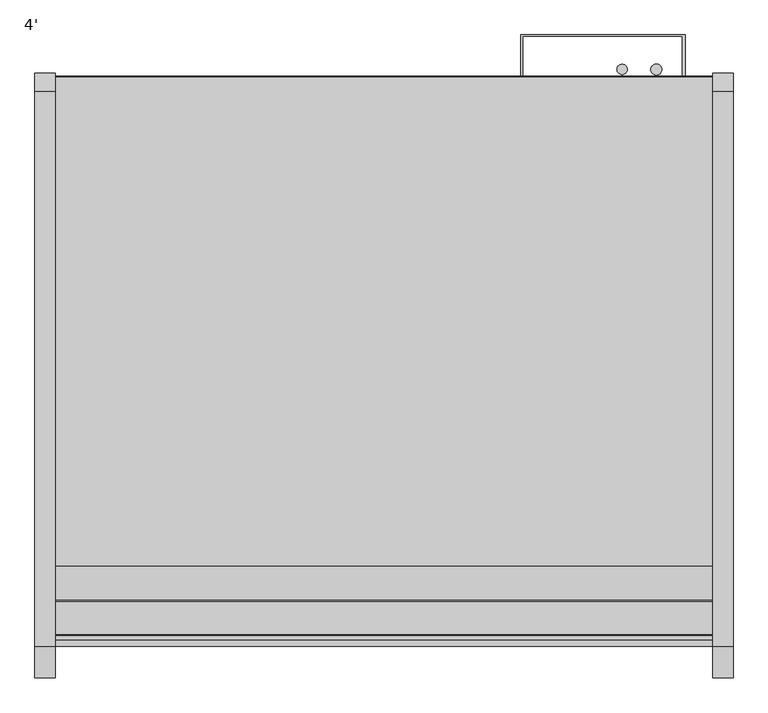
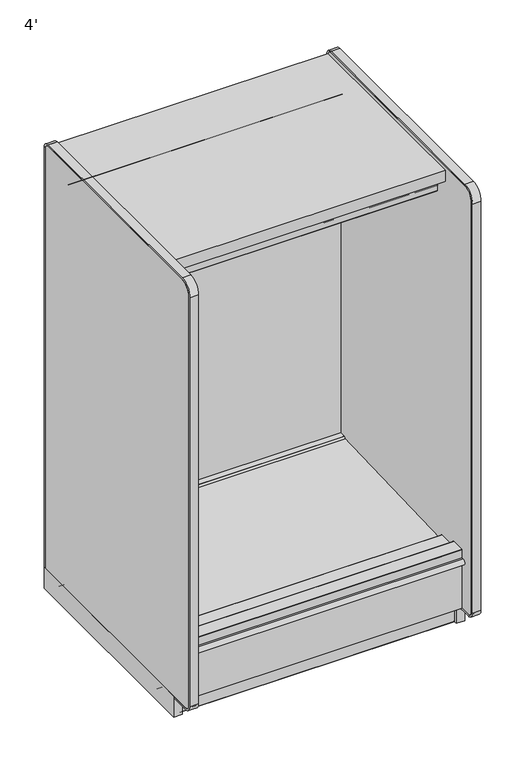
"""IFC4 building model written with IfcOpenShell, lengths in millimetres: proxy geometry, 4'."""

from ifc_helpers import new_model, si_unit, point, frame, frame_2d, origin, origin_with_axes, place, context, project, spatial, polyline, circle_curve, trimmed, segment, composite_curve, outline, extrude, source, transform, mapped, element, save
from ifc_brep_helpers import plane_surface, cylinder_surface, revolved_surface, advanced_brep


def proxy_4_5382d1ed(model_context):
    return source(origin(), model_context, "Body", "SolidModel", [
        advanced_brep(
        [(1219.2, -1254.2383502, 105.16235), (1219.2, -1254.2383502, 5.1562), (1219.2, -1251.8507502, 2.7686), (1219.2, -1219.3133502, 2.7686), (1219.2, -1219.3133502, 70.23735), (1219.2, -489.0633502, 70.23735), (1219.2, -489.0633502, 2.7686), (1219.2, -456.5259502, 2.7686), (1219.2, -454.1383502, 5.1562), (1219.2, -454.1383502, 105.16235), (0.0, -1254.2383502, 105.16235), (0.0, -454.1383502, 105.16235), (0.0, -454.1383502, 5.1562), (0.0, -456.5259502, 2.7686), (0.0, -489.0633502, 2.7686), (0.0, -489.0633502, 70.23735), (0.0, -1219.3133502, 70.23735), (0.0, -1219.3133502, 2.7686), (0.0, -1251.8507502, 2.7686), (0.0, -1254.2383502, 5.1562), (579.9855715, -1219.3133502, 70.23735), (639.2144285, -1219.3133502, 70.23735), (996.95, -1219.3133502, 70.23735), (1047.75, -1168.5133502, 70.23735), (946.15, -1168.5133502, 70.23735), (660.4, -1178.0383502, 70.23735), (558.8, -1178.0383502, 70.23735), (1047.75, -1168.5133502, 105.16235), (946.15, -1168.5133502, 105.16235), (660.4, -1178.0383502, 105.16235), (558.8, -1178.0383502, 105.16235)],
        [
            (0, 1),
            (1, 2, circle_curve(frame((1219.2, -1251.8507502, 5.1562), z_axis=(1.0, 0.0, 0.0), x_axis=(0.0, 1.0, 0.0)), 2.3876)),
            (2, 3),
            (3, 4),
            (4, 5),
            (5, 6),
            (6, 7),
            (7, 8, circle_curve(frame((1219.2, -456.5259502, 5.1562), z_axis=(1.0, 0.0, 0.0), x_axis=(0.0, 1.0, 0.0)), 2.3876)),
            (8, 9),
            (9, 0),
            (10, 11),
            (11, 12),
            (12, 13, circle_curve(frame((0.0, -456.5259502, 5.1562), z_axis=(-1.0, 0.0, 0.0), x_axis=(0.0, 1.0, 0.0)), 2.3876)),
            (13, 14),
            (14, 15),
            (15, 16),
            (16, 17),
            (17, 18),
            (18, 19, circle_curve(frame((0.0, -1251.8507502, 5.1562), z_axis=(-1.0, 0.0, 0.0), x_axis=(0.0, 1.0, 0.0)), 2.3876)),
            (19, 10),
            (0, 10),
            (19, 1),
            (18, 2),
            (17, 3),
            (16, 20),
            (20, 21),
            (21, 22),
            (22, 4),
            (22, 23, circle_curve(frame((996.95, -1168.5133502, 70.23735), z_axis=(0.0, 0.0, 1.0), x_axis=(1.0, 0.0, 0.0)), 50.8)),
            (23, 24, circle_curve(frame((996.95, -1168.5133502, 70.23735), z_axis=(0.0, 0.0, 1.0), x_axis=(1.0, 0.0, 0.0)), 50.8)),
            (24, 22, circle_curve(frame((996.95, -1168.5133502, 70.23735), z_axis=(0.0, 0.0, 1.0), x_axis=(1.0, 0.0, 0.0)), 50.8)),
            (21, 25, circle_curve(frame((609.6, -1178.0383502, 70.23735), z_axis=(0.0, 0.0, 1.0), x_axis=(1.0, 0.0, 0.0)), 50.8)),
            (25, 26, circle_curve(frame((609.6, -1178.0383502, 70.23735), z_axis=(0.0, 0.0, 1.0), x_axis=(1.0, 0.0, 0.0)), 50.8)),
            (26, 20, circle_curve(frame((609.6, -1178.0383502, 70.23735), z_axis=(0.0, 0.0, 1.0), x_axis=(1.0, 0.0, 0.0)), 50.8)),
            (15, 5),
            (14, 6),
            (13, 7),
            (12, 8),
            (11, 9),
            (27, 28, circle_curve(frame((996.95, -1168.5133502, 105.16235), z_axis=(0.0, 0.0, -1.0), x_axis=(1.0, 0.0, 0.0)), 50.8)),
            (28, 27, circle_curve(frame((996.95, -1168.5133502, 105.16235), z_axis=(0.0, 0.0, -1.0), x_axis=(1.0, 0.0, 0.0)), 50.8)),
            (29, 30, circle_curve(frame((609.6, -1178.0383502, 105.16235), z_axis=(0.0, 0.0, -1.0), x_axis=(1.0, 0.0, 0.0)), 50.8)),
            (30, 29, circle_curve(frame((609.6, -1178.0383502, 105.16235), z_axis=(0.0, 0.0, -1.0), x_axis=(1.0, 0.0, 0.0)), 50.8)),
            (24, 28),
            (27, 23),
            (20, 21, circle_curve(frame((609.6, -1178.0383502, 70.23735), z_axis=(0.0, 0.0, 1.0), x_axis=(1.0, 0.0, 0.0)), 50.8)),
            (26, 30),
            (29, 25),
        ],
        [
            plane_surface(frame((1219.2, -1254.2383502, 105.16235), z_axis=(1.0, 0.0, 0.0), x_axis=(0.0, 0.0, -1.0))),
            plane_surface(frame((0.0, -1254.2383502, 105.16235), z_axis=(-1.0, 0.0, 0.0), x_axis=(0.0, 0.0, 1.0))),
            plane_surface(frame((1219.2, -1254.2383502, 105.16235), z_axis=(0.0, -1.0, 0.0), x_axis=(-1.0, 0.0, 0.0))),
            cylinder_surface(frame((0.0, -1251.8507502, 5.1562), z_axis=(1.0, 0.0, 0.0), x_axis=(0.0, 1.0, 0.0)), 2.3876),
            plane_surface(frame((1219.2, -1251.8507502, 2.7686), z_axis=(0.0, 0.0, -1.0), x_axis=(-1.0, 0.0, 0.0))),
            plane_surface(frame((1219.2, -1219.3133502, 2.7686), z_axis=(0.0, 1.0, 0.0), x_axis=(-1.0, 0.0, 0.0))),
            plane_surface(frame((1219.2, -1219.3133502, 70.23735), z_axis=(0.0, 0.0, -1.0), x_axis=(-1.0, 0.0, 0.0))),
            plane_surface(frame((1219.2, -489.0633502, 70.23735), z_axis=(0.0, -1.0, 0.0), x_axis=(-1.0, 0.0, 0.0))),
            plane_surface(frame((1219.2, -489.0633502, 2.7686), z_axis=(0.0, 0.0, -1.0), x_axis=(-1.0, 0.0, 0.0))),
            cylinder_surface(frame((0.0, -456.5259502, 5.1562), z_axis=(1.0, 0.0, 0.0), x_axis=(0.0, 1.0, 0.0)), 2.3876),
            plane_surface(frame((1219.2, -454.1383502, 5.1562), z_axis=(0.0, 1.0, 0.0), x_axis=(-1.0, 0.0, 0.0))),
            plane_surface(frame((1219.2, -454.1383502, 105.16235), z_axis=(0.0, 0.0, 1.0), x_axis=(-1.0, 0.0, 0.0))),
            revolved_surface(polyline([(1047.75, -1168.5133502, 105.16235), (1047.75, -1168.5133502, 70.23735)]), (996.95, -1168.5133502, 70.23735), (0.0, 0.0, 1.0)),
            plane_surface(frame((660.4, -1178.0383502, 70.23735), z_axis=(0.0, 0.0, 1.0), x_axis=(0.0, -1.0, 0.0))),
            revolved_surface(polyline([(660.4, -1178.0383502, 105.16235), (660.4, -1178.0383502, 70.23735)]), (609.6, -1178.0383502, 70.23735), (0.0, 0.0, 1.0)),
        ],
        [
            (0, [[1, 2, 3, 4, 5, 6, 7, 8, 9, 10]]),
            (1, [[11, 12, 13, 14, 15, 16, 17, 18, 19, 20]]),
            (2, [[-1, 21, -20, 22]]),
            (3, [[-2, -22, -19, 23]]),
            (4, [[-3, -23, -18, 24]]),
            (5, [[-4, -24, -17, 25, 26, 27, 28]]),
            (6, [[-5, -28, 29, 30, 31, -27, 32, 33, 34, -25, -16, 35]]),
            (7, [[-6, -35, -15, 36]]),
            (8, [[-7, -36, -14, 37]]),
            (9, [[-8, -37, -13, 38]]),
            (10, [[-9, -38, -12, 39]]),
            (11, [[-10, -39, -11, -21], [40, 41], [42, 43]]),
            (12, [[44, -40, 45, -29, -31]]),
            (12, [[-44, -30, -45, -41]]),
            (13, [[46, -26]]),
            (14, [[-46, -34, 47, -42, 48, -32]]),
            (14, [[-47, -33, -48, -43]]),
        ],
    ),
        extrude(outline(composite_curve([segment(polyline([(-451.3697502, 24.892), (-451.3697502, 5.1562)]), True, "CONTINUOUS"), segment(trimmed(circle_curve(frame_2d((-456.5259502, 5.1562)), 5.1562), [point((-451.3697502, 5.1562))], [point((-456.5259502, 0.0))], False, "CARTESIAN"), True, "CONTINUOUS"), segment(polyline([(-456.5259502, 0.0), (-491.4382502, 0.0)]), True, "CONTINUOUS"), segment(trimmed(circle_curve(frame_2d((-491.4382502, 5.1562)), 5.1562), [point((-491.4382502, 0.0))], [point((-496.5944502, 5.1562))], False, "CARTESIAN"), True, "CONTINUOUS"), segment(polyline([(-496.5944502, 5.1562), (-496.5944502, 24.9047)]), True, "CONTINUOUS"), segment(trimmed(circle_curve(frame_2d((-498.9820502, 24.9047)), 2.3876), [point((-496.5944502, 24.9047))], [point((-498.9820502, 27.2923))], True, "CARTESIAN"), True, "CONTINUOUS"), segment(polyline([(-498.9820502, 27.2923), (-510.2088502, 27.2923)]), True, "CONTINUOUS"), segment(trimmed(circle_curve(frame_2d((-510.2088502, 24.9047)), 2.3876), [point((-510.2088502, 27.2923))], [point((-512.5964502, 24.9047))], True, "CARTESIAN"), True, "CONTINUOUS"), segment(polyline([(-512.5964502, 24.9047), (-512.5964502, 7.4422), (-516.0508502, 7.4422), (-516.0508502, 24.9047)]), True, "CONTINUOUS"), segment(trimmed(circle_curve(frame_2d((-510.8946502, 24.9047)), 5.1562), [point((-516.0508502, 24.9047))], [point((-510.8946502, 30.0609))], False, "CARTESIAN"), True, "CONTINUOUS"), segment(polyline([(-510.8946502, 30.0609), (-498.9820502, 30.0609)]), True, "CONTINUOUS"), segment(trimmed(circle_curve(frame_2d((-498.9820502, 24.9047)), 5.1562), [point((-498.9820502, 30.0609))], [point((-493.8258502, 24.9047))], False, "CARTESIAN"), True, "CONTINUOUS"), segment(polyline([(-493.8258502, 24.9047), (-493.8258502, 5.1562)]), True, "CONTINUOUS"), segment(trimmed(circle_curve(frame_2d((-491.4382502, 5.1562)), 2.3876), [point((-493.8258502, 5.1562))], [point((-491.4382502, 2.7686))], True, "CARTESIAN"), True, "CONTINUOUS"), segment(polyline([(-491.4382502, 2.7686), (-456.5259502, 2.7686)]), True, "CONTINUOUS"), segment(trimmed(circle_curve(frame_2d((-456.5259502, 5.1562)), 2.3876), [point((-456.5259502, 2.7686))], [point((-454.1383502, 5.1562))], True, "CARTESIAN"), True, "CONTINUOUS"), segment(polyline([(-454.1383502, 5.1562), (-454.1383502, 24.892), (-451.3697502, 24.892)]), True, "CONTINUOUS")], self_intersect=False)), frame((0.0, 0.0, 0.0), z_axis=(1.0, 0.0, 0.0), x_axis=(0.0, 1.0, 0.0)), (0.0, 0.0, 1.0), 1219.2),
        extrude(outline(composite_curve([segment(polyline([(-1257.0069502, 24.892), (-1254.2383502, 24.892), (-1254.2383502, 5.1562)]), True, "CONTINUOUS"), segment(trimmed(circle_curve(frame_2d((-1251.8507502, 5.1562)), 2.3876), [point((-1254.2383502, 5.1562))], [point((-1251.8507502, 2.7686))], True, "CARTESIAN"), True, "CONTINUOUS"), segment(polyline([(-1251.8507502, 2.7686), (-1216.9384502, 2.7686)]), True, "CONTINUOUS"), segment(trimmed(circle_curve(frame_2d((-1216.9384502, 5.1562)), 2.3876), [point((-1216.9384502, 2.7686))], [point((-1214.5508502, 5.1562))], True, "CARTESIAN"), True, "CONTINUOUS"), segment(polyline([(-1214.5508502, 5.1562), (-1214.5508502, 24.9047)]), True, "CONTINUOUS"), segment(trimmed(circle_curve(frame_2d((-1209.3946502, 24.9047)), 5.1562), [point((-1214.5508502, 24.9047))], [point((-1209.3946502, 30.0609))], False, "CARTESIAN"), True, "CONTINUOUS"), segment(polyline([(-1209.3946502, 30.0609), (-1197.4820502, 30.0609)]), True, "CONTINUOUS"), segment(trimmed(circle_curve(frame_2d((-1197.4820502, 24.9047)), 5.1562), [point((-1197.4820502, 30.0609))], [point((-1192.3258502, 24.9047))], False, "CARTESIAN"), True, "CONTINUOUS"), segment(polyline([(-1192.3258502, 24.9047), (-1192.3258502, 7.4422), (-1195.7802502, 7.4422), (-1195.7802502, 24.9047)]), True, "CONTINUOUS"), segment(trimmed(circle_curve(frame_2d((-1198.1678502, 24.9047)), 2.3876), [point((-1195.7802502, 24.9047))], [point((-1198.1678502, 27.2923))], True, "CARTESIAN"), True, "CONTINUOUS"), segment(polyline([(-1198.1678502, 27.2923), (-1209.3946502, 27.2923)]), True, "CONTINUOUS"), segment(trimmed(circle_curve(frame_2d((-1209.3946502, 24.9047)), 2.3876), [point((-1209.3946502, 27.2923))], [point((-1211.7822502, 24.9047))], True, "CARTESIAN"), True, "CONTINUOUS"), segment(polyline([(-1211.7822502, 24.9047), (-1211.7822502, 5.1562)]), True, "CONTINUOUS"), segment(trimmed(circle_curve(frame_2d((-1216.9384502, 5.1562)), 5.1562), [point((-1211.7822502, 5.1562))], [point((-1216.9384502, 0.0))], False, "CARTESIAN"), True, "CONTINUOUS"), segment(polyline([(-1216.9384502, 0.0), (-1251.8507502, 0.0)]), True, "CONTINUOUS"), segment(trimmed(circle_curve(frame_2d((-1251.8507502, 5.1562)), 5.1562), [point((-1251.8507502, 0.0))], [point((-1257.0069502, 5.1562))], False, "CARTESIAN"), True, "CONTINUOUS"), segment(polyline([(-1257.0069502, 5.1562), (-1257.0069502, 24.892)]), True, "CONTINUOUS")], self_intersect=False)), frame((0.0, 0.0, 0.0), z_axis=(1.0, 0.0, 0.0), x_axis=(0.0, 1.0, 0.0)), (0.0, 0.0, 1.0), 1219.2),
        extrude(outline(composite_curve([segment(trimmed(circle_curve(frame_2d((1051.4209056, -439.1639482)), 9.525), [point((1041.8959056, -439.1639482))], [point((1060.9459056, -439.1639482))], False, "CARTESIAN"), True, "CONTINUOUS"), segment(trimmed(circle_curve(frame_2d((1051.4209056, -439.1639482)), 9.525), [point((1060.9459056, -439.1639482))], [point((1041.8959056, -439.1639482))], False, "CARTESIAN"), True, "CONTINUOUS")], self_intersect=False)), frame((0.0, 0.0, 792.5674787), z_axis=(0.0, 0.0, 1.0), x_axis=(1.0, 0.0, 0.0)), (0.0, 0.0, 1.0), 1168.7570226),
        extrude(outline(composite_curve([segment(trimmed(circle_curve(frame_2d((1114.9917977, -439.6429538)), 10.2531742), [point((1104.7386235, -439.6429538))], [point((1125.2449719, -439.6429538))], False, "CARTESIAN"), True, "CONTINUOUS"), segment(trimmed(circle_curve(frame_2d((1114.9917977, -439.6429538)), 10.2531742), [point((1125.2449719, -439.6429538))], [point((1104.7386235, -439.6429538))], False, "CARTESIAN"), True, "CONTINUOUS")], self_intersect=False)), frame((0.0, 0.0, 792.5674787), z_axis=(0.0, 0.0, 1.0), x_axis=(1.0, 0.0, 0.0)), (0.0, 0.0, 1.0), 1168.7570226),
        extrude(outline(polyline([(863.6, -375.1697502), (1168.4, -375.1697502), (1168.4, -451.3697502), (1162.680599, -451.3697502), (1162.680599, -377.80742), (867.4597521, -377.80742), (867.4597521, -451.3697502), (863.6, -451.3697502), (863.6, -375.1697502)])), frame((0.0, 0.0, 237.9789513), z_axis=(0.0, 0.0, 1.0), x_axis=(1.0, 0.0, 0.0)), (0.0, 0.0, 1.0), 1710.01055),
        extrude(outline(polyline([(1257.3, -446.4985065), (1257.3, -1443.7687873), (1219.2, -1443.7687873), (1219.2, -446.4985065), (1257.3, -446.4985065)])), origin_with_axes(), (0.0, 0.0, 1.0), 98.81235),
        extrude(outline(composite_curve([segment(trimmed(circle_curve(frame_2d((-1497.6269405, 323.2962194)), 12.7), [point((-1497.6269405, 310.5962194))], [point((-1497.6269405, 335.9962194))], False, "CARTESIAN"), True, "CONTINUOUS"), segment(polyline([(-1497.6269405, 335.9962194), (-1489.2352586, 335.9962194), (-1489.2352586, 310.5962194), (-1497.6269405, 310.5962194)]), True, "CONTINUOUS")], self_intersect=False)), frame((0.0, 0.0, 0.0), z_axis=(1.0, 0.0, 0.0), x_axis=(0.0, 1.0, 0.0)), (0.0, 0.0, 1.0), 1219.2),
        extrude(outline(polyline([(1219.2, -1199.723124), (1219.2, -1299.5321065), (0.0, -1299.5321065), (0.0, -1199.723124), (1219.2, -1199.723124)])), frame((0.0, 0.0, 1949.1777451), z_axis=(0.0, 0.0, 1.0), x_axis=(1.0, 0.0, 0.0)), (0.0, 0.0, 1.0), 24.9083039),
        extrude(outline(polyline([(1219.2, -1425.21163), (1219.2, -1474.7938566), (0.0, -1474.7938566), (0.0, -1425.21163), (1219.2, -1425.21163)])), frame((0.0, 0.0, 269.2585075), z_axis=(0.0, 0.0, 1.0), x_axis=(1.0, 0.0, 0.0)), (0.0, 0.0, 1.0), 86.5178535),
        extrude(outline(composite_curve([segment(polyline([(-1487.3589273, 323.2962194), (-1489.2352586, 323.2962194), (-1489.2352586, 373.8422194)]), True, "CONTINUOUS"), segment(trimmed(circle_curve(frame_2d((-1487.6604586, 373.8422194)), 1.5748), [point((-1489.2352586, 373.8422194))], [point((-1487.6604586, 375.4170194))], False, "CARTESIAN"), True, "CONTINUOUS"), segment(polyline([(-1487.6604586, 375.4170194), (-1426.6598594, 375.4170194)]), True, "CONTINUOUS"), segment(trimmed(circle_curve(frame_2d((-1426.6598594, 373.8422194)), 1.5748), [point((-1426.6598594, 375.4170194))], [point((-1425.0850594, 373.8422194))], False, "CARTESIAN"), True, "CONTINUOUS"), segment(polyline([(-1425.0850594, 373.8422194), (-1425.0850594, 355.7763611), (-1474.7938566, 355.7763611), (-1474.7938566, 105.16235), (-1457.9209502, 105.16235), (-1457.9209502, 97.61855), (-1487.3589273, 97.61855), (-1487.3589273, 323.2962194)]), True, "CONTINUOUS")], self_intersect=False)), frame((0.0, 0.0, 0.0), z_axis=(1.0, 0.0, 0.0), x_axis=(0.0, 1.0, 0.0)), (0.0, 0.0, 1.0), 1219.2),
        extrude(outline(composite_curve([segment(polyline([(-504.1937745, 187.1774545), (-1341.005955, 157.9553293), (-1425.21163, 167.5451411), (-1425.21163, 347.5376575), (-1336.1824949, 350.6466237)]), True, "CONTINUOUS"), segment(trimmed(circle_curve(frame_2d((-1336.1142384, 348.6920151)), 1.9558), [point((-1336.1824949, 350.6466237))], [point((-1334.1596299, 348.7602715))], False, "CARTESIAN"), True, "CONTINUOUS"), segment(polyline([(-1334.1596299, 348.7602715), (-1333.2971167, 324.0611268), (-589.0533013, 350.0506957), (-582.1621455, 357.4405555)]), True, "CONTINUOUS"), segment(trimmed(circle_curve(frame_2d((-581.0475625, 356.40119)), 1.524), [point((-582.1621455, 357.4405555))], [point((-581.1007493, 357.9242616))], False, "CARTESIAN"), True, "CONTINUOUS"), segment(polyline([(-581.1007493, 357.9242616), (-555.6910045, 358.8115894), (-555.6910045, 237.9789513), (-504.1937745, 237.9789513), (-504.1937745, 187.1774545)]), True, "CONTINUOUS")], self_intersect=False)), frame((0.0, 0.0, 0.0), z_axis=(1.0, 0.0, 0.0), x_axis=(0.0, 1.0, 0.0)), (0.0, 0.0, 1.0), 1219.2),
        extrude(outline(composite_curve([segment(polyline([(-504.1937745, 237.9789513), (-555.6910045, 237.9789513), (-555.6910045, 1936.2930061)]), True, "CONTINUOUS"), segment(trimmed(circle_curve(frame_2d((-581.1383502, 1935.8737013)), 25.4508), [point((-555.6910045, 1936.2930061))], [point((-581.1383502, 1961.3245013))], True, "CARTESIAN"), True, "CONTINUOUS"), segment(polyline([(-581.1383502, 1961.3245013), (-648.0165502, 1961.3245013), (-648.0165502, 1975.0611268), (-1198.4332802, 1975.0611268), (-1198.4332802, 1949.4119013)]), True, "CONTINUOUS"), segment(trimmed(circle_curve(frame_2d((-1199.9572802, 1949.4119013)), 1.524), [point((-1198.4332802, 1949.4119013))], [point((-1199.9572802, 1947.8879013))], False, "CARTESIAN"), True, "CONTINUOUS"), segment(polyline([(-1199.9572802, 1947.8879013), (-1210.3458802, 1947.8879013), (-1210.3458802, 1949.1777451), (-1199.723124, 1949.1777451), (-1199.723124, 1974.0860489), (-1299.5321065, 1974.0860489), (-1299.5321065, 1949.2793451), (-1290.3444502, 1949.2793451), (-1290.3444502, 1947.9895013), (-1299.5019338, 1947.9895013)]), True, "CONTINUOUS"), segment(trimmed(circle_curve(frame_2d((-1299.5019338, 1949.3095178)), 1.3200165), [point((-1299.5019338, 1947.9895013))], [point((-1300.8219502, 1949.3095178))], False, "CARTESIAN"), True, "CONTINUOUS"), segment(polyline([(-1300.8219502, 1949.3095178), (-1300.8219502, 2029.1361513), (-504.1937745, 2029.1361513), (-504.1937745, 237.9789513)]), True, "CONTINUOUS")], self_intersect=False)), frame((0.0, 0.0, 0.0), z_axis=(1.0, 0.0, 0.0), x_axis=(0.0, 1.0, 0.0)), (0.0, 0.0, 1.0), 1219.2),
        extrude(outline(polyline([(-454.1383502, 2079.9361513), (-454.1383502, 304.27295), (-504.1937745, 304.27295), (-504.1937745, 2029.1361513), (-1361.2177409, 2029.1361513), (-1361.2177409, 2079.9361513), (-454.1383502, 2079.9361513)])), frame((0.0, 0.0, 0.0), z_axis=(1.0, 0.0, 0.0), x_axis=(0.0, 1.0, 0.0)), (0.0, 0.0, 1.0), 1219.2),
        extrude(outline(polyline([(-1474.7938566, 105.16235), (-1474.7938566, 269.2585075), (-1425.21163, 269.2585075), (-1425.21163, 167.5451411), (-1341.005955, 157.9553293), (-504.1937745, 187.1774545), (-504.1937745, 304.27295), (-454.1383502, 304.27295), (-454.1383502, 105.16235), (-1474.7938566, 105.16235)])), frame((0.0, 0.0, 0.0), z_axis=(1.0, 0.0, 0.0), x_axis=(0.0, 1.0, 0.0)), (0.0, 0.0, 1.0), 1219.2),
        extrude(outline(composite_curve([segment(trimmed(circle_curve(frame_2d((-1428.9268502, 1.524)), 1.524), [point((-1428.9268502, 0.0))], [point((-1430.4508502, 1.524))], False, "CARTESIAN"), True, "CONTINUOUS"), segment(polyline([(-1430.4508502, 1.524), (-1430.4508502, 98.425)]), True, "CONTINUOUS"), segment(trimmed(circle_curve(frame_2d((-1429.7142502, 98.425)), 0.7366), [point((-1430.4508502, 98.425))], [point((-1429.7142502, 99.1616))], False, "CARTESIAN"), True, "CONTINUOUS"), segment(polyline([(-1429.7142502, 99.1616), (-1429.7142502, 1.524)]), True, "CONTINUOUS"), segment(trimmed(circle_curve(frame_2d((-1428.9268502, 1.524)), 0.7874), [point((-1429.7142502, 1.524))], [point((-1428.9268502, 0.7366))], True, "CARTESIAN"), True, "CONTINUOUS"), segment(polyline([(-1428.9268502, 0.7366), (-1425.8193538, 0.7366), (-1425.3035809, 1.4732), (-1419.6901809, 1.4732)]), True, "CONTINUOUS"), segment(trimmed(circle_curve(frame_2d((-1419.6901809, 0.7366)), 0.7366), [point((-1419.6901809, 1.4732))], [point((-1419.6901809, 0.0))], False, "CARTESIAN"), True, "CONTINUOUS"), segment(polyline([(-1419.6901809, 0.0), (-1428.9268502, 0.0)]), True, "CONTINUOUS")], self_intersect=False)), frame((0.0, 0.0, 0.0), z_axis=(1.0, 0.0, 0.0), x_axis=(0.0, 1.0, 0.0)), (0.0, 0.0, 1.0), 1219.2),
        extrude(outline(composite_curve([segment(polyline([(-479.5383502, 2098.675), (-1509.9417448, 2098.675)]), True, "CONTINUOUS"), segment(trimmed(circle_curve(frame_2d((-1509.9417448, 2047.875)), 50.8), [point((-1509.9417448, 2098.675))], [point((-1560.7417448, 2047.875))], True, "CARTESIAN"), True, "CONTINUOUS"), segment(polyline([(-1560.7417448, 2047.875), (-1560.7417448, 124.21235)]), True, "CONTINUOUS"), segment(trimmed(circle_curve(frame_2d((-1535.3417448, 124.21235)), 25.4), [point((-1560.7417448, 124.21235))], [point((-1535.3417448, 98.81235))], True, "CARTESIAN"), True, "CONTINUOUS"), segment(polyline([(-1535.3417448, 98.81235), (-1443.7687873, 98.81235), (-1443.7687873, 91.1725063), (-1535.3417448, 91.1725063)]), True, "CONTINUOUS"), segment(trimmed(circle_curve(frame_2d((-1535.3417448, 124.21235)), 33.0398438), [point((-1535.3417448, 91.1725063))], [point((-1568.3815885, 124.21235))], False, "CARTESIAN"), True, "CONTINUOUS"), segment(polyline([(-1568.3815885, 124.21235), (-1568.3815885, 2047.875)]), True, "CONTINUOUS"), segment(trimmed(circle_curve(frame_2d((-1509.9417448, 2047.875)), 58.4398437), [point((-1568.3815885, 2047.875))], [point((-1509.9417448, 2106.3148438))], False, "CARTESIAN"), True, "CONTINUOUS"), segment(polyline([(-1509.9417448, 2106.3148438), (-479.5383502, 2106.3148438)]), True, "CONTINUOUS"), segment(trimmed(circle_curve(frame_2d((-479.5383502, 2073.275)), 33.0398438), [point((-479.5383502, 2106.3148438))], [point((-446.4985065, 2073.275))], False, "CARTESIAN"), True, "CONTINUOUS"), segment(polyline([(-446.4985065, 2073.275), (-446.4985065, 98.81235), (-454.1383502, 98.81235), (-454.1383502, 2073.275)]), True, "CONTINUOUS"), segment(trimmed(circle_curve(frame_2d((-479.5383502, 2073.275)), 25.4), [point((-454.1383502, 2073.275))], [point((-479.5383502, 2098.675))], True, "CARTESIAN"), True, "CONTINUOUS")], self_intersect=False)), frame((1219.2, 0.0, 0.0), z_axis=(1.0, 0.0, 0.0), x_axis=(0.0, 1.0, 0.0)), (0.0, 0.0, 1.0), 38.1),
        extrude(outline(composite_curve([segment(trimmed(circle_curve(frame_2d((-479.5383502, 2073.275)), 25.4), [point((-479.5383502, 2098.675))], [point((-454.1383502, 2073.275))], False, "CARTESIAN"), True, "CONTINUOUS"), segment(polyline([(-454.1383502, 2073.275), (-454.1383502, 98.81235), (-1535.3417448, 98.81235)]), True, "CONTINUOUS"), segment(trimmed(circle_curve(frame_2d((-1535.3417448, 124.21235)), 25.4), [point((-1535.3417448, 98.81235))], [point((-1560.7417448, 124.21235))], False, "CARTESIAN"), True, "CONTINUOUS"), segment(polyline([(-1560.7417448, 124.21235), (-1560.7417448, 2047.875)]), True, "CONTINUOUS"), segment(trimmed(circle_curve(frame_2d((-1509.9417448, 2047.875)), 50.8), [point((-1560.7417448, 2047.875))], [point((-1509.9417448, 2098.675))], False, "CARTESIAN"), True, "CONTINUOUS"), segment(polyline([(-1509.9417448, 2098.675), (-479.5383502, 2098.675)]), True, "CONTINUOUS")], self_intersect=False)), frame((1219.2, 0.0, 0.0), z_axis=(1.0, 0.0, 0.0), x_axis=(0.0, 1.0, 0.0)), (0.0, 0.0, 1.0), 38.1),
        extrude(outline(polyline([(0.0, -446.4985065), (0.0, -1443.7687873), (-38.1, -1443.7687873), (-38.1, -446.4985065), (0.0, -446.4985065)])), origin_with_axes(), (0.0, 0.0, 1.0), 98.81235),
        extrude(outline(composite_curve([segment(polyline([(-479.5383502, 2098.675), (-1509.9417448, 2098.675)]), True, "CONTINUOUS"), segment(trimmed(circle_curve(frame_2d((-1509.9417448, 2047.875)), 50.8), [point((-1509.9417448, 2098.675))], [point((-1560.7417448, 2047.875))], True, "CARTESIAN"), True, "CONTINUOUS"), segment(polyline([(-1560.7417448, 2047.875), (-1560.7417448, 124.21235)]), True, "CONTINUOUS"), segment(trimmed(circle_curve(frame_2d((-1535.3417448, 124.21235)), 25.4), [point((-1560.7417448, 124.21235))], [point((-1535.3417448, 98.81235))], True, "CARTESIAN"), True, "CONTINUOUS"), segment(polyline([(-1535.3417448, 98.81235), (-1443.7687873, 98.81235), (-1443.7687873, 91.1725063), (-1535.3417448, 91.1725063)]), True, "CONTINUOUS"), segment(trimmed(circle_curve(frame_2d((-1535.3417448, 124.21235)), 33.0398438), [point((-1535.3417448, 91.1725063))], [point((-1568.3815885, 124.21235))], False, "CARTESIAN"), True, "CONTINUOUS"), segment(polyline([(-1568.3815885, 124.21235), (-1568.3815885, 2047.875)]), True, "CONTINUOUS"), segment(trimmed(circle_curve(frame_2d((-1509.9417448, 2047.875)), 58.4398437), [point((-1568.3815885, 2047.875))], [point((-1509.9417448, 2106.3148438))], False, "CARTESIAN"), True, "CONTINUOUS"), segment(polyline([(-1509.9417448, 2106.3148438), (-479.5383502, 2106.3148438)]), True, "CONTINUOUS"), segment(trimmed(circle_curve(frame_2d((-479.5383502, 2073.275)), 33.0398438), [point((-479.5383502, 2106.3148438))], [point((-446.4985065, 2073.275))], False, "CARTESIAN"), True, "CONTINUOUS"), segment(polyline([(-446.4985065, 2073.275), (-446.4985065, 98.81235), (-454.1383502, 98.81235), (-454.1383502, 2073.275)]), True, "CONTINUOUS"), segment(trimmed(circle_curve(frame_2d((-479.5383502, 2073.275)), 25.4), [point((-454.1383502, 2073.275))], [point((-479.5383502, 2098.675))], True, "CARTESIAN"), True, "CONTINUOUS")], self_intersect=False)), frame((-38.1, 0.0, 0.0), z_axis=(1.0, 0.0, 0.0), x_axis=(0.0, 1.0, 0.0)), (0.0, 0.0, 1.0), 38.1),
        extrude(outline(composite_curve([segment(trimmed(circle_curve(frame_2d((-479.5383502, 2073.275)), 25.4), [point((-479.5383502, 2098.675))], [point((-454.1383502, 2073.275))], False, "CARTESIAN"), True, "CONTINUOUS"), segment(polyline([(-454.1383502, 2073.275), (-454.1383502, 98.81235), (-1535.3417448, 98.81235)]), True, "CONTINUOUS"), segment(trimmed(circle_curve(frame_2d((-1535.3417448, 124.21235)), 25.4), [point((-1535.3417448, 98.81235))], [point((-1560.7417448, 124.21235))], False, "CARTESIAN"), True, "CONTINUOUS"), segment(polyline([(-1560.7417448, 124.21235), (-1560.7417448, 2047.875)]), True, "CONTINUOUS"), segment(trimmed(circle_curve(frame_2d((-1509.9417448, 2047.875)), 50.8), [point((-1560.7417448, 2047.875))], [point((-1509.9417448, 2098.675))], False, "CARTESIAN"), True, "CONTINUOUS"), segment(polyline([(-1509.9417448, 2098.675), (-479.5383502, 2098.675)]), True, "CONTINUOUS")], self_intersect=False)), frame((-38.1, 0.0, 0.0), z_axis=(1.0, 0.0, 0.0), x_axis=(0.0, 1.0, 0.0)), (0.0, 0.0, 1.0), 38.1),
    ])


if __name__ == "__main__":
    model = new_model("IFC4")
    model_context = context("Model", 3, world=origin())
    ifc_project = project(units=[si_unit("LENGTHUNIT", "METRE", prefix="MILLI")], contexts=[model_context])
    site = spatial("IfcSite", under=ifc_project)
    building = spatial("IfcBuilding", under=site)
    placement = place(None, origin())
    proxy_4_shape = proxy_4_5382d1ed(model_context)
    element("IfcBuildingElementProxy", 1, Name="4'", ObjectType="4'", at=placement, inside=building, context=model_context, shape_type="MappedRepresentation", body=[
        mapped(proxy_4_shape, transform((0.0, 0.0, 0.0), x_axis=(1.0, 0.0, 0.0), y_axis=(0.0, 1.0, 0.0), z_axis=(0.0, 0.0, 1.0))),
    ])
    save(model, "model.ifc")
